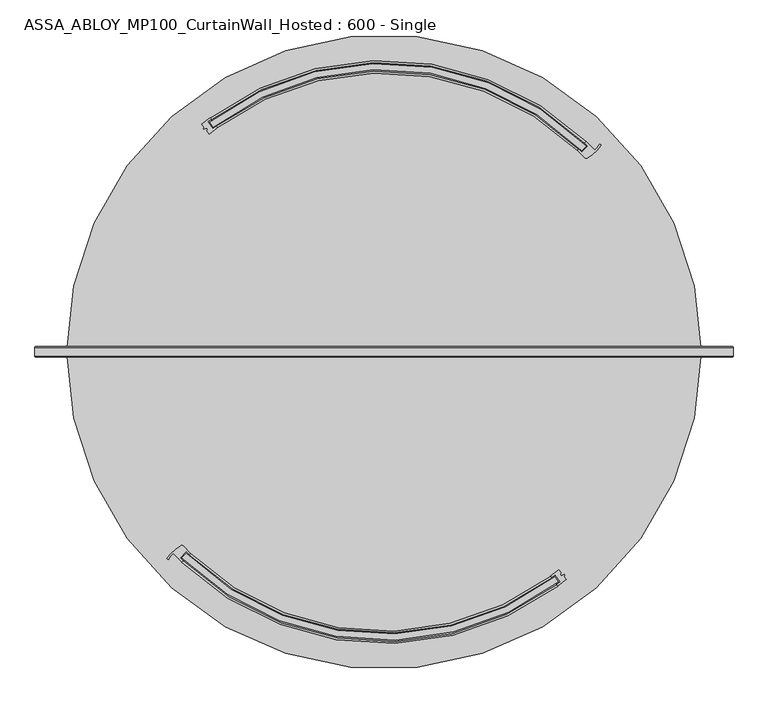
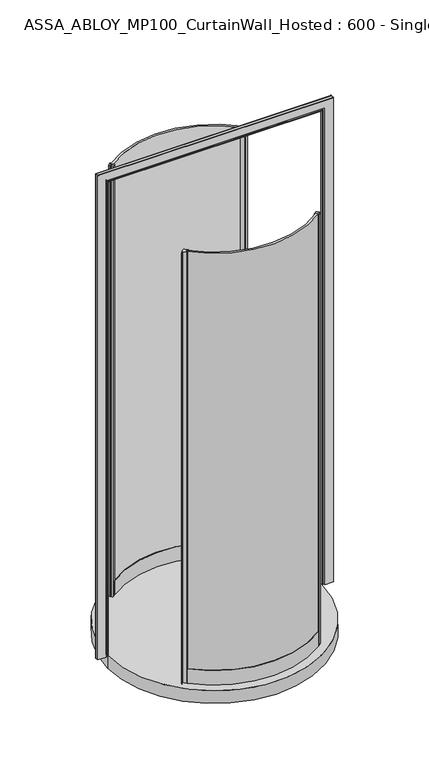
"""IFC4 building model written with IfcOpenShell, lengths in millimetres: plate geometry, ASSA_ABLOY_MP100_CurtainWall_Hosted : 600 - Single."""

from ifc_helpers import new_model, si_unit, point, frame, origin, origin_with_axes, origin_2d, place, context, project, spatial, polyline, circle_curve, ellipse_curve, trimmed, segment, composite_curve, outline, extrude, source, transform, mapped, element, save
from ifc_brep_helpers import plane_surface, cylinder_surface, revolved_surface, advanced_brep


def assa_abloy_mp100_curtainwall_hosted_600_single_d0e0801d(model_context):
    return source(origin(), model_context, "Body", "SolidModel", [
        extrude(outline(composite_curve([segment(trimmed(circle_curve(origin_2d(), 461.0), [point((-323.0228277, -328.9031054))], [point((278.7296704, -367.1930975))], True, "CARTESIAN"), True, "CONTINUOUS"), segment(polyline([(278.7296704, -367.1930975), (284.6922302, -375.2217132)]), True, "CONTINUOUS"), segment(trimmed(circle_curve(origin_2d(), 471.0), [point((284.6922302, -375.2217132))], [point((-329.952436, -336.1136564))], False, "CARTESIAN"), True, "CONTINUOUS"), segment(polyline([(-329.952436, -336.1136564), (-323.0228277, -328.9031054)]), True, "CONTINUOUS")], self_intersect=False)), origin_with_axes(), (0.0, 0.0, 1.0), 2200.0),
        extrude(outline(composite_curve([segment(polyline([(285.3369696, -355.6948324), (289.4020493, -361.1684819), (287.3950036, -362.6590414), (289.481787, -365.4689053), (294.0829, -363.6472028), (294.7436822, -364.5369492), (293.2774526, -366.3867312), (297.2693923, -371.7618975)]), True, "CONTINUOUS"), segment(trimmed(circle_curve(origin_2d(), 476.0), [point((297.2693923, -371.7618975))], [point((283.8025361, -382.1414928))], False, "CARTESIAN"), True, "CONTINUOUS"), segment(polyline([(283.8025361, -382.1414928), (282.0138647, -379.733038)]), True, "CONTINUOUS"), segment(trimmed(circle_curve(origin_2d(), 473.0), [point((282.0138647, -379.733038))], [point((287.6027082, -375.5178854))], True, "CARTESIAN"), True, "CONTINUOUS"), segment(polyline([(287.6027082, -375.5178854), (279.2546327, -364.2771612)]), True, "CONTINUOUS"), segment(trimmed(circle_curve(origin_2d(), 459.0), [point((279.2546327, -364.2771612))], [point((273.6655575, -368.494454))], False, "CARTESIAN"), True, "CONTINUOUS"), segment(polyline([(273.6655575, -368.494454), (271.8780598, -366.0851275)]), True, "CONTINUOUS"), segment(trimmed(circle_curve(origin_2d(), 456.0), [point((271.8780598, -366.0851275))], [point((285.3369696, -355.6948324))], True, "CARTESIAN"), True, "CONTINUOUS")], self_intersect=False)), origin_with_axes(), (0.0, 0.0, 1.0), 2200.0),
        advanced_brep(
        [(-323.0606614, -326.0564281, 0.0), (-332.7619944, -336.1524011, 0.0), (-327.7505863, -341.0399863, 0.0), (-329.8292072, -343.2031633, 0.0), (-343.6754502, -329.3370005, 0.0), (-350.8403885, -338.0289484, 0.0), (-353.4119384, -336.7129907, 0.0), (-331.5448057, -316.4268945, 0.0), (-327.8628013, -316.9255214, 0.0), (-315.9717342, -328.781983, 0.0), (-318.0503552, -330.94516, 0.0), (-323.0606614, -326.0564281, 2200.0), (-318.0503552, -330.94516, 2200.0), (-315.9717342, -328.781983, 2200.0), (-327.8628013, -316.9255214, 2200.0), (-331.5448057, -316.4268945, 2200.0), (-353.4119384, -336.7129907, 2200.0), (-350.8541944, -338.0217349, 2200.0), (-343.6754502, -329.3370005, 2200.0), (-329.8292072, -343.2031633, 2200.0), (-327.7505863, -341.0399863, 2200.0), (-332.7619944, -336.1524011, 2200.0)],
        [
            (0, 1),
            (1, 2, circle_curve(frame((-1.0606602, -1.0606602, 0.0), z_axis=(0.0, 0.0, 1.0), x_axis=(-0.7071067811865531, 0.7071067811865418, 0.0)), 471.5)),
            (2, 3),
            (3, 4, circle_curve(frame((-1.0606602, -1.0606602, 0.0), z_axis=(0.0, 0.0, -1.0), x_axis=(-0.7071067811865531, 0.7071067811865418, 0.0)), 474.5)),
            (4, 5, circle_curve(frame((-326.6572326, -350.6645131, 0.0), z_axis=(0.0, 0.0, 1.0), x_axis=(-0.7071067811865531, 0.7071067811865418, 0.0)), 27.285207)),
            (5, 6, circle_curve(frame((-352.1274821, -337.3564491, 0.0), z_axis=(0.0, 0.0, -1.0), x_axis=(-0.7071067811865531, 0.7071067811865418, 0.0)), 1.4366164)),
            (6, 7, circle_curve(frame((-295.9639336, -376.7095748, 0.0), z_axis=(0.0, 0.0, -1.0), x_axis=(-0.7071067811865531, 0.7071067811865418, 0.0)), 70.0)),
            (7, 8, circle_curve(frame((-330.0199112, -319.0104379, 0.0), z_axis=(0.0, 0.0, -1.0), x_axis=(-0.7071067811865531, 0.7071067811865418, 0.0)), 3.0)),
            (8, 9, circle_curve(frame((-1.0606602, -1.0606602, 0.0), z_axis=(0.0, 0.0, 1.0), x_axis=(-0.7071067811865531, 0.7071067811865418, 0.0)), 454.5)),
            (9, 10),
            (10, 0, circle_curve(frame((-1.0606602, -1.0606602, 0.0), z_axis=(0.0, 0.0, -1.0), x_axis=(-0.7071067811865531, 0.7071067811865418, 0.0)), 457.5)),
            (11, 12, circle_curve(frame((-1.0606602, -1.0606602, 2200.0), z_axis=(0.0, 0.0, 1.0), x_axis=(-0.7071067811865531, 0.7071067811865418, 0.0)), 457.5)),
            (12, 13),
            (13, 14, circle_curve(frame((-1.0606602, -1.0606602, 2200.0), z_axis=(0.0, 0.0, -1.0), x_axis=(-0.7071067811865531, 0.7071067811865418, 0.0)), 454.5)),
            (14, 15, circle_curve(frame((-330.0199112, -319.0104379, 2200.0), z_axis=(0.0, 0.0, 1.0), x_axis=(-0.7071067811865531, 0.7071067811865418, 0.0)), 3.0)),
            (15, 16, circle_curve(frame((-295.9639336, -376.7095748, 2200.0), z_axis=(0.0, 0.0, 1.0), x_axis=(-0.7071067811865531, 0.7071067811865418, 0.0)), 70.0)),
            (16, 17, circle_curve(frame((-352.1274821, -337.3564491, 2200.0), z_axis=(0.0, 0.0, 1.0), x_axis=(-0.7071067811865531, 0.7071067811865418, 0.0)), 1.4366164)),
            (17, 18, circle_curve(frame((-326.6572326, -350.6645131, 2200.0), z_axis=(0.0, 0.0, -1.0), x_axis=(-0.7071067811865531, 0.7071067811865418, 0.0)), 27.285207)),
            (18, 19, circle_curve(frame((-1.0606602, -1.0606602, 2200.0), z_axis=(0.0, 0.0, 1.0), x_axis=(-0.7071067811865531, 0.7071067811865418, 0.0)), 474.5)),
            (19, 20),
            (20, 21, circle_curve(frame((-1.0606602, -1.0606602, 2200.0), z_axis=(0.0, 0.0, -1.0), x_axis=(-0.7071067811865531, 0.7071067811865418, 0.0)), 471.5)),
            (21, 11),
            (0, 11),
            (21, 1),
            (20, 2),
            (19, 3),
            (18, 4),
            (8, 14),
            (13, 9),
            (12, 10),
            (17, 5),
            (16, 6),
            (15, 7),
        ],
        [
            plane_surface(frame((-322.4406922, -322.4406922, 0.0), z_axis=(0.0, 0.0, -1.0000000000000002), x_axis=(-0.7071067811865419, -0.7071067811865532, 0.0))),
            plane_surface(frame((-322.4406922, -322.4406922, 2200.0), z_axis=(0.0, 0.0, 1.0000000000000002), x_axis=(-0.7071067811865419, -0.7071067811865532, 0.0))),
            plane_surface(frame((-323.0606614, -326.0564281, 0.0), z_axis=(0.72105901609443, -0.6928736503208449, 0.0), x_axis=(0.0, 0.0, 1.0))),
            revolved_surface(polyline([(-334.46150752945977, 332.3401871294545, 2200.0), (-334.46150752945977, 332.3401871294545, 0.0)]), (-1.0606602, -1.0606602, 0.0), (0.0, 0.0, 1.0)),
            plane_surface(frame((-327.7505863, -341.0399863, 0.0), z_axis=(0.7210590160945624, -0.6928736503207072, 0.0), x_axis=(0.0, 0.0, 1.0))),
            cylinder_surface(frame((-1.0606602, -1.0606602, 0.0), z_axis=(0.0, 0.0, -1.0), x_axis=(-0.7071067811865531, 0.7071067811865418, 0.0)), 474.5),
            revolved_surface(polyline([(-322.44069224928836, 320.3193718492833, 2200.0), (-322.44069224928836, 320.3193718492833, 0.0)]), (-1.0606602, -1.0606602, 0.0), (0.0, 0.0, 1.0)),
            plane_surface(frame((-315.9717342, -328.781983, 0.0), z_axis=(0.7210590160946411, -0.6928736503206254, 0.0), x_axis=(0.0, 0.0, 1.0))),
            cylinder_surface(frame((-1.0606602, -1.0606602, 0.0), z_axis=(0.0, 0.0, -1.0), x_axis=(-0.7071067811865531, 0.7071067811865418, 0.0)), 457.5),
            revolved_surface(polyline([(-345.9507874957788, -331.37095820422155, 2200.0), (-345.9507874957788, -331.37095820422155, 0.0)]), (-326.6572326, -350.6645131, 0.0), (0.0, 0.0, 1.0)),
            cylinder_surface(frame((-352.1274821, -337.3564491, 0.0), z_axis=(0.0, 0.0, -1.0), x_axis=(-0.7071067811865531, 0.7071067811865418, 0.0)), 1.4366164),
            cylinder_surface(frame((-295.9639336, -376.7095748, 0.0), z_axis=(0.0, 0.0, -1.0), x_axis=(-0.7071067811865531, 0.7071067811865418, 0.0)), 70.0),
            cylinder_surface(frame((-330.0199112, -319.0104379, 0.0), z_axis=(0.0, 0.0, -1.0), x_axis=(-0.7071067811865531, 0.7071067811865418, 0.0)), 3.0),
        ],
        [
            (0, [[1, 2, 3, 4, 5, 6, 7, 8, 9, 10, 11]]),
            (1, [[12, 13, 14, 15, 16, 17, 18, 19, 20, 21, 22]]),
            (2, [[-1, 23, -22, 24]]),
            (3, [[-2, -24, -21, 25]]),
            (4, [[-3, -25, -20, 26]]),
            (5, [[-4, -26, -19, 27]]),
            (6, [[-9, 28, -14, 29]]),
            (7, [[-10, -29, -13, 30]]),
            (8, [[-11, -30, -12, -23]]),
            (9, [[-5, -27, -18, 31]]),
            (10, [[-6, -31, -17, 32]]),
            (11, [[-7, -32, -16, 33]]),
            (12, [[-8, -33, -15, -28]]),
        ],
    ),
        advanced_brep(
        [(-315.9719443, -328.782193, 73.0), (-315.9719443, -328.782193, 0.0), (-318.0507071, -330.9452338, 0.0), (-318.0507071, -330.9452338, 24.0), (-327.7516001, -341.0394239, 24.0), (-327.7516001, -341.0394239, 0.0), (-329.8303629, -343.2024646, 0.0), (-329.8303629, -343.2024646, 73.0), (-327.7516001, -341.0394239, 73.0), (-327.7516001, -341.0394239, 39.0), (-318.0507071, -330.9452338, 39.0), (-318.0507071, -330.9452338, 73.0), (271.8780598, -366.0851275, 73.0), (273.6667313, -368.4935823, 73.0), (273.6667313, -368.4935823, 39.0), (282.0138647, -379.733038, 39.0), (282.0138647, -379.733038, 73.0), (283.8025361, -382.1414928, 73.0), (283.8025361, -382.1414928, 0.0), (282.0138647, -379.733038, 0.0), (282.0138647, -379.733038, 24.0), (273.6667313, -368.4935823, 24.0), (273.6667313, -368.4935823, 0.0), (271.8780598, -366.0851275, 0.0)],
        [
            (0, 1),
            (1, 2),
            (2, 3),
            (3, 4),
            (4, 5),
            (5, 6),
            (6, 7),
            (7, 8),
            (8, 9),
            (9, 10),
            (10, 11),
            (11, 0),
            (12, 13),
            (13, 14),
            (14, 15),
            (15, 16),
            (16, 17),
            (17, 18),
            (18, 19),
            (19, 20),
            (20, 21),
            (21, 22),
            (22, 23),
            (23, 12),
            (23, 1, circle_curve(frame((0.0, 0.0, 0.0), z_axis=(0.0, 0.0, -1.0), x_axis=(-0.6929209304014322, -0.7210135811561481, 0.0)), 456.0)),
            (0, 12, circle_curve(frame((0.0, 0.0, 73.0), z_axis=(0.0, 0.0, 1.0), x_axis=(-0.6929209304014322, -0.7210135811561481, 0.0)), 456.0)),
            (22, 2, circle_curve(frame((0.0, 0.0, 0.0), z_axis=(0.0, 0.0, -1.0), x_axis=(-0.6929209304014322, -0.7210135811561481, 0.0)), 459.0)),
            (21, 3, circle_curve(frame((0.0, 0.0, 24.0), z_axis=(0.0, 0.0, -1.0), x_axis=(-0.6929209304014322, -0.7210135811561481, 0.0)), 459.0)),
            (20, 4, circle_curve(frame((0.0, 0.0, 24.0), z_axis=(0.0, 0.0, -1.0), x_axis=(-0.6929209304014322, -0.7210135811561481, 0.0)), 473.0)),
            (19, 5, circle_curve(frame((0.0, 0.0, 0.0), z_axis=(0.0, 0.0, -1.0), x_axis=(-0.6929209304014322, -0.7210135811561481, 0.0)), 473.0)),
            (18, 6, circle_curve(frame((0.0, 0.0, 0.0), z_axis=(0.0, 0.0, -1.0), x_axis=(-0.6929209304014322, -0.7210135811561481, 0.0)), 476.0)),
            (17, 7, circle_curve(frame((0.0, 0.0, 73.0), z_axis=(0.0, 0.0, -1.0), x_axis=(-0.6929209304014322, -0.7210135811561481, 0.0)), 476.0)),
            (16, 8, circle_curve(frame((0.0, 0.0, 73.0), z_axis=(0.0, 0.0, -1.0), x_axis=(-0.6929209304014322, -0.7210135811561481, 0.0)), 473.0)),
            (15, 9, circle_curve(frame((0.0, 0.0, 39.0), z_axis=(0.0, 0.0, -1.0), x_axis=(-0.6929209304014322, -0.7210135811561481, 0.0)), 473.0)),
            (14, 10, circle_curve(frame((0.0, 0.0, 39.0), z_axis=(0.0, 0.0, -1.0), x_axis=(-0.6929209304014322, -0.7210135811561481, 0.0)), 459.0)),
            (13, 11, circle_curve(frame((0.0, 0.0, 73.0), z_axis=(0.0, 0.0, -1.0), x_axis=(-0.6929209304014322, -0.7210135811561481, 0.0)), 459.0)),
        ],
        [
            plane_surface(frame((-315.9719443, -328.782193, 0.0), z_axis=(-0.7210135811561482, 0.6929209304014323, 0.0), x_axis=(0.0, 0.0, 1.0))),
            plane_surface(frame((271.8780598, -366.0851275, 0.0), z_axis=(0.8028182621140831, 0.596223815371479, 0.0), x_axis=(0.0, 0.0, 1.0))),
            revolved_surface(polyline([(-315.9719442630531, -328.78219300720355, 73.00000000000003), (-315.9719442630531, -328.78219300720355, 0.0)]), (0.0, 0.0, 0.0), (0.0, 0.0, 1.0000000000000002)),
            plane_surface(frame((0.0, 0.0, 0.0), z_axis=(0.0, 0.0, -1.0), x_axis=(-0.6929209304014323, -0.7210135811561482, 0.0))),
            cylinder_surface(frame((0.0, 0.0, 0.0), z_axis=(0.0, 0.0, 1.0000000000000002), x_axis=(-0.6929209304014322, -0.7210135811561481, 0.0)), 459.0),
            plane_surface(frame((0.0, 0.0, 24.0), z_axis=(0.0, 0.0, -1.0), x_axis=(-0.6929209304014323, -0.7210135811561482, 0.0))),
            revolved_surface(polyline([(-327.75160007987745, -341.03942388685806, 24.000000000000014), (-327.75160007987745, -341.03942388685806, 0.0)]), (0.0, 0.0, 0.0), (0.0, 0.0, 1.0000000000000002)),
            cylinder_surface(frame((0.0, 0.0, 0.0), z_axis=(0.0, 0.0, 1.0000000000000002), x_axis=(-0.6929209304014322, -0.7210135811561481, 0.0)), 476.0),
            plane_surface(frame((0.0, 0.0, 73.0), z_axis=(0.0, 0.0, 1.0), x_axis=(-0.6929209304014323, -0.7210135811561482, 0.0))),
            revolved_surface(polyline([(-327.75160007987745, -341.03942388685806, 73.00000000000003), (-327.75160007987745, -341.03942388685806, 39.000000000000014)]), (0.0, 0.0, 0.0), (0.0, 0.0, 1.0000000000000002)),
            plane_surface(frame((0.0, 0.0, 39.0), z_axis=(0.0, 0.0, 1.0), x_axis=(-0.6929209304014323, -0.7210135811561482, 0.0))),
        ],
        [
            (0, [[1, 2, 3, 4, 5, 6, 7, 8, 9, 10, 11, 12]]),
            (1, [[13, 14, 15, 16, 17, 18, 19, 20, 21, 22, 23, 24]]),
            (2, [[25, -1, 26, -24]]),
            (3, [[27, -2, -25, -23]]),
            (4, [[28, -3, -27, -22]]),
            (5, [[29, -4, -28, -21]]),
            (6, [[30, -5, -29, -20]]),
            (3, [[31, -6, -30, -19]]),
            (7, [[32, -7, -31, -18]]),
            (8, [[33, -8, -32, -17]]),
            (9, [[34, -9, -33, -16]]),
            (10, [[35, -10, -34, -15]]),
            (4, [[36, -11, -35, -14]]),
            (8, [[-26, -12, -36, -13]]),
        ],
    ),
        extrude(outline(composite_curve([segment(trimmed(circle_curve(origin_2d(), 461.0), [point((323.0228277, 328.9031054))], [point((-278.7296704, 367.1930975))], True, "CARTESIAN"), True, "CONTINUOUS"), segment(polyline([(-278.7296704, 367.1930975), (-284.6922302, 375.2217132)]), True, "CONTINUOUS"), segment(trimmed(circle_curve(origin_2d(), 471.0), [point((-284.6922302, 375.2217132))], [point((329.952436, 336.1136564))], False, "CARTESIAN"), True, "CONTINUOUS"), segment(polyline([(329.952436, 336.1136564), (323.0228277, 328.9031054)]), True, "CONTINUOUS")], self_intersect=False)), origin_with_axes(), (0.0, 0.0, 1.0), 2200.0),
        extrude(outline(composite_curve([segment(polyline([(-285.3369696, 355.6948324), (-289.4020493, 361.1684819), (-287.3950036, 362.6590414), (-289.481787, 365.4689053), (-294.0829, 363.6472028), (-294.7436822, 364.5369492), (-293.2774526, 366.3867312), (-297.2693923, 371.7618975)]), True, "CONTINUOUS"), segment(trimmed(circle_curve(origin_2d(), 476.0), [point((-297.2693923, 371.7618975))], [point((-283.8025361, 382.1414928))], False, "CARTESIAN"), True, "CONTINUOUS"), segment(polyline([(-283.8025361, 382.1414928), (-282.0138647, 379.733038)]), True, "CONTINUOUS"), segment(trimmed(circle_curve(origin_2d(), 473.0), [point((-282.0138647, 379.733038))], [point((-287.6027082, 375.5178854))], True, "CARTESIAN"), True, "CONTINUOUS"), segment(polyline([(-287.6027082, 375.5178854), (-279.2546327, 364.2771612)]), True, "CONTINUOUS"), segment(trimmed(circle_curve(origin_2d(), 459.0), [point((-279.2546327, 364.2771612))], [point((-273.6655575, 368.494454))], False, "CARTESIAN"), True, "CONTINUOUS"), segment(polyline([(-273.6655575, 368.494454), (-271.8780598, 366.0851275)]), True, "CONTINUOUS"), segment(trimmed(circle_curve(origin_2d(), 456.0), [point((-271.8780598, 366.0851275))], [point((-285.3369696, 355.6948324))], True, "CARTESIAN"), True, "CONTINUOUS")], self_intersect=False)), origin_with_axes(), (0.0, 0.0, 1.0), 2200.0),
        advanced_brep(
        [(323.0606614, 326.0564281, 0.0), (332.7619944, 336.1524011, 0.0), (327.7505863, 341.0399863, 0.0), (329.8292072, 343.2031633, 0.0), (343.6754502, 329.3370005, 0.0), (350.8403885, 338.0289484, 0.0), (353.4119384, 336.7129907, 0.0), (331.5448057, 316.4268945, 0.0), (327.8628013, 316.9255214, 0.0), (315.9717342, 328.781983, 0.0), (318.0503552, 330.94516, 0.0), (323.0606614, 326.0564281, 2200.0), (318.0503552, 330.94516, 2200.0), (315.9717342, 328.781983, 2200.0), (327.8628013, 316.9255214, 2200.0), (331.5448057, 316.4268945, 2200.0), (353.4119384, 336.7129907, 2200.0), (350.8541944, 338.0217349, 2200.0), (343.6754502, 329.3370005, 2200.0), (329.8292072, 343.2031633, 2200.0), (327.7505863, 341.0399863, 2200.0), (332.7619944, 336.1524011, 2200.0)],
        [
            (0, 1),
            (1, 2, circle_curve(frame((1.0606602, 1.0606602, 0.0), z_axis=(0.0, 0.0, 1.0), x_axis=(0.7071067811865526, -0.7071067811865416, 0.0)), 471.5)),
            (2, 3),
            (3, 4, circle_curve(frame((1.0606602, 1.0606602, 0.0), z_axis=(0.0, 0.0, -1.0), x_axis=(0.7071067811865526, -0.7071067811865416, 0.0)), 474.5)),
            (4, 5, circle_curve(frame((326.6572326, 350.6645131, 0.0), z_axis=(0.0, 0.0, 1.0), x_axis=(0.7071067811865526, -0.7071067811865416, 0.0)), 27.285207)),
            (5, 6, circle_curve(frame((352.1274821, 337.3564491, 0.0), z_axis=(0.0, 0.0, -1.0), x_axis=(0.7071067811865526, -0.7071067811865416, 0.0)), 1.4366164)),
            (6, 7, circle_curve(frame((295.9639336, 376.7095748, 0.0), z_axis=(0.0, 0.0, -1.0), x_axis=(0.7071067811865526, -0.7071067811865416, 0.0)), 70.0)),
            (7, 8, circle_curve(frame((330.0199112, 319.0104379, 0.0), z_axis=(0.0, 0.0, -1.0), x_axis=(0.7071067811865526, -0.7071067811865416, 0.0)), 3.0)),
            (8, 9, circle_curve(frame((1.0606602, 1.0606602, 0.0), z_axis=(0.0, 0.0, 1.0), x_axis=(0.7071067811865526, -0.7071067811865416, 0.0)), 454.5)),
            (9, 10),
            (10, 0, circle_curve(frame((1.0606602, 1.0606602, 0.0), z_axis=(0.0, 0.0, -1.0), x_axis=(0.7071067811865526, -0.7071067811865416, 0.0)), 457.5)),
            (11, 12, circle_curve(frame((1.0606602, 1.0606602, 2200.0), z_axis=(0.0, 0.0, 1.0), x_axis=(0.7071067811865526, -0.7071067811865416, 0.0)), 457.5)),
            (12, 13),
            (13, 14, circle_curve(frame((1.0606602, 1.0606602, 2200.0), z_axis=(0.0, 0.0, -1.0), x_axis=(0.7071067811865526, -0.7071067811865416, 0.0)), 454.5)),
            (14, 15, circle_curve(frame((330.0199112, 319.0104379, 2200.0), z_axis=(0.0, 0.0, 1.0), x_axis=(0.7071067811865526, -0.7071067811865416, 0.0)), 3.0)),
            (15, 16, circle_curve(frame((295.9639336, 376.7095748, 2200.0), z_axis=(0.0, 0.0, 1.0), x_axis=(0.7071067811865526, -0.7071067811865416, 0.0)), 70.0)),
            (16, 17, circle_curve(frame((352.1274821, 337.3564491, 2200.0), z_axis=(0.0, 0.0, 1.0), x_axis=(0.7071067811865526, -0.7071067811865416, 0.0)), 1.4366164)),
            (17, 18, circle_curve(frame((326.6572326, 350.6645131, 2200.0), z_axis=(0.0, 0.0, -1.0), x_axis=(0.7071067811865526, -0.7071067811865416, 0.0)), 27.285207)),
            (18, 19, circle_curve(frame((1.0606602, 1.0606602, 2200.0), z_axis=(0.0, 0.0, 1.0), x_axis=(0.7071067811865526, -0.7071067811865416, 0.0)), 474.5)),
            (19, 20),
            (20, 21, circle_curve(frame((1.0606602, 1.0606602, 2200.0), z_axis=(0.0, 0.0, -1.0), x_axis=(0.7071067811865526, -0.7071067811865416, 0.0)), 471.5)),
            (21, 11),
            (0, 11),
            (21, 1),
            (20, 2),
            (19, 3),
            (18, 4),
            (8, 14),
            (13, 9),
            (12, 10),
            (17, 5),
            (16, 6),
            (15, 7),
        ],
        [
            plane_surface(frame((322.4406922, 322.4406922, 0.0), z_axis=(0.0, 0.0, -1.0), x_axis=(0.707106781186542, 0.707106781186553, 0.0))),
            plane_surface(frame((322.4406922, 322.4406922, 2200.0), z_axis=(0.0, 0.0, 1.0), x_axis=(0.707106781186542, 0.707106781186553, 0.0))),
            plane_surface(frame((323.0606614, 326.0564281, 0.0), z_axis=(-0.7210590160944299, 0.692873650320845, 0.0), x_axis=(0.0, 0.0, 1.0))),
            revolved_surface(polyline([(334.4615075294595, -332.34018712945436, 2200.0), (334.4615075294595, -332.34018712945436, 0.0)]), (1.0606602, 1.0606602, 0.0), (0.0, 0.0, 1.0)),
            plane_surface(frame((327.7505863, 341.0399863, 0.0), z_axis=(-0.7210590160945622, 0.6928736503207075, 0.0), x_axis=(0.0, 0.0, 1.0))),
            cylinder_surface(frame((1.0606602, 1.0606602, 0.0), z_axis=(0.0, 0.0, -1.0), x_axis=(0.7071067811865526, -0.7071067811865416, 0.0)), 474.5),
            revolved_surface(polyline([(322.44069224928813, -320.3193718492832, 2200.0), (322.44069224928813, -320.3193718492832, 0.0)]), (1.0606602, 1.0606602, 0.0), (0.0, 0.0, 1.0)),
            plane_surface(frame((315.9717342, 328.781983, 0.0), z_axis=(-0.7210590160946408, 0.6928736503206255, 0.0), x_axis=(0.0, 0.0, 1.0))),
            cylinder_surface(frame((1.0606602, 1.0606602, 0.0), z_axis=(0.0, 0.0, -1.0), x_axis=(0.7071067811865526, -0.7071067811865416, 0.0)), 457.5),
            revolved_surface(polyline([(345.9507874957788, 331.37095820422155, 2200.0), (345.9507874957788, 331.37095820422155, 0.0)]), (326.6572326, 350.6645131, 0.0), (0.0, 0.0, 1.0)),
            cylinder_surface(frame((352.1274821, 337.3564491, 0.0), z_axis=(0.0, 0.0, -1.0), x_axis=(0.7071067811865526, -0.7071067811865416, 0.0)), 1.4366164),
            cylinder_surface(frame((295.9639336, 376.7095748, 0.0), z_axis=(0.0, 0.0, -1.0), x_axis=(0.7071067811865526, -0.7071067811865416, 0.0)), 70.0),
            cylinder_surface(frame((330.0199112, 319.0104379, 0.0), z_axis=(0.0, 0.0, -1.0), x_axis=(0.7071067811865526, -0.7071067811865416, 0.0)), 3.0),
        ],
        [
            (0, [[1, 2, 3, 4, 5, 6, 7, 8, 9, 10, 11]]),
            (1, [[12, 13, 14, 15, 16, 17, 18, 19, 20, 21, 22]]),
            (2, [[-1, 23, -22, 24]]),
            (3, [[-2, -24, -21, 25]]),
            (4, [[-3, -25, -20, 26]]),
            (5, [[-4, -26, -19, 27]]),
            (6, [[-9, 28, -14, 29]]),
            (7, [[-10, -29, -13, 30]]),
            (8, [[-11, -30, -12, -23]]),
            (9, [[-5, -27, -18, 31]]),
            (10, [[-6, -31, -17, 32]]),
            (11, [[-7, -32, -16, 33]]),
            (12, [[-8, -33, -15, -28]]),
        ],
    ),
        advanced_brep(
        [(315.9719443, 328.782193, 73.0), (315.9719443, 328.782193, 0.0), (318.0507071, 330.9452338, 0.0), (318.0507071, 330.9452338, 24.0), (327.7516001, 341.0394239, 24.0), (327.7516001, 341.0394239, 0.0), (329.8303629, 343.2024646, 0.0), (329.8303629, 343.2024646, 73.0), (327.7516001, 341.0394239, 73.0), (327.7516001, 341.0394239, 39.0), (318.0507071, 330.9452338, 39.0), (318.0507071, 330.9452338, 73.0), (-271.8780598, 366.0851275, 73.0), (-273.6667313, 368.4935823, 73.0), (-273.6667313, 368.4935823, 39.0), (-282.0138647, 379.733038, 39.0), (-282.0138647, 379.733038, 73.0), (-283.8025361, 382.1414928, 73.0), (-283.8025361, 382.1414928, 0.0), (-282.0138647, 379.733038, 0.0), (-282.0138647, 379.733038, 24.0), (-273.6667313, 368.4935823, 24.0), (-273.6667313, 368.4935823, 0.0), (-271.8780598, 366.0851275, 0.0)],
        [
            (0, 1),
            (1, 2),
            (2, 3),
            (3, 4),
            (4, 5),
            (5, 6),
            (6, 7),
            (7, 8),
            (8, 9),
            (9, 10),
            (10, 11),
            (11, 0),
            (12, 13),
            (13, 14),
            (14, 15),
            (15, 16),
            (16, 17),
            (17, 18),
            (18, 19),
            (19, 20),
            (20, 21),
            (21, 22),
            (22, 23),
            (23, 12),
            (23, 1, circle_curve(frame((0.0, 0.0, 0.0), z_axis=(0.0, 0.0, -1.0), x_axis=(0.692920930401432, 0.7210135811561476, 0.0)), 456.0)),
            (0, 12, circle_curve(frame((0.0, 0.0, 73.0), z_axis=(0.0, 0.0, 1.0), x_axis=(0.692920930401432, 0.7210135811561476, 0.0)), 456.0)),
            (22, 2, circle_curve(frame((0.0, 0.0, 0.0), z_axis=(0.0, 0.0, -1.0), x_axis=(0.692920930401432, 0.7210135811561476, 0.0)), 459.0)),
            (21, 3, circle_curve(frame((0.0, 0.0, 24.0), z_axis=(0.0, 0.0, -1.0), x_axis=(0.692920930401432, 0.7210135811561476, 0.0)), 459.0)),
            (20, 4, circle_curve(frame((0.0, 0.0, 24.0), z_axis=(0.0, 0.0, -1.0), x_axis=(0.692920930401432, 0.7210135811561476, 0.0)), 473.0)),
            (19, 5, circle_curve(frame((0.0, 0.0, 0.0), z_axis=(0.0, 0.0, -1.0), x_axis=(0.692920930401432, 0.7210135811561476, 0.0)), 473.0)),
            (18, 6, circle_curve(frame((0.0, 0.0, 0.0), z_axis=(0.0, 0.0, -1.0), x_axis=(0.692920930401432, 0.7210135811561476, 0.0)), 476.0)),
            (17, 7, circle_curve(frame((0.0, 0.0, 73.0), z_axis=(0.0, 0.0, -1.0), x_axis=(0.692920930401432, 0.7210135811561476, 0.0)), 476.0)),
            (16, 8, circle_curve(frame((0.0, 0.0, 73.0), z_axis=(0.0, 0.0, -1.0), x_axis=(0.692920930401432, 0.7210135811561476, 0.0)), 473.0)),
            (15, 9, circle_curve(frame((0.0, 0.0, 39.0), z_axis=(0.0, 0.0, -1.0), x_axis=(0.692920930401432, 0.7210135811561476, 0.0)), 473.0)),
            (14, 10, circle_curve(frame((0.0, 0.0, 39.0), z_axis=(0.0, 0.0, -1.0), x_axis=(0.692920930401432, 0.7210135811561476, 0.0)), 459.0)),
            (13, 11, circle_curve(frame((0.0, 0.0, 73.0), z_axis=(0.0, 0.0, -1.0), x_axis=(0.692920930401432, 0.7210135811561476, 0.0)), 459.0)),
        ],
        [
            plane_surface(frame((315.9719443, 328.782193, 0.0), z_axis=(0.721013581156148, -0.6929209304014324, 0.0), x_axis=(0.0, 0.0, 1.0))),
            plane_surface(frame((-271.8780598, 366.0851275, 0.0), z_axis=(-0.8028182621140832, -0.5962238153714787, 0.0), x_axis=(0.0, 0.0, 1.0))),
            revolved_surface(polyline([(315.971944263053, 328.78219300720326, 73.00000000000003), (315.971944263053, 328.78219300720326, 0.0)]), (0.0, 0.0, 0.0), (0.0, 0.0, 1.0000000000000002)),
            plane_surface(frame((0.0, 0.0, 0.0), z_axis=(0.0, 0.0, -1.0), x_axis=(0.6929209304014324, 0.721013581156148, 0.0))),
            cylinder_surface(frame((0.0, 0.0, 0.0), z_axis=(0.0, 0.0, 1.0000000000000002), x_axis=(0.692920930401432, 0.7210135811561476, 0.0)), 459.0),
            plane_surface(frame((0.0, 0.0, 24.0), z_axis=(0.0, 0.0, -1.0), x_axis=(0.6929209304014324, 0.721013581156148, 0.0))),
            revolved_surface(polyline([(327.75160007987733, 341.0394238868578, 24.000000000000014), (327.75160007987733, 341.0394238868578, 0.0)]), (0.0, 0.0, 0.0), (0.0, 0.0, 1.0000000000000002)),
            cylinder_surface(frame((0.0, 0.0, 0.0), z_axis=(0.0, 0.0, 1.0000000000000002), x_axis=(0.692920930401432, 0.7210135811561476, 0.0)), 476.0),
            plane_surface(frame((0.0, 0.0, 73.0), z_axis=(0.0, 0.0, 1.0), x_axis=(0.6929209304014324, 0.721013581156148, 0.0))),
            revolved_surface(polyline([(327.75160007987733, 341.0394238868578, 73.00000000000003), (327.75160007987733, 341.0394238868578, 39.000000000000014)]), (0.0, 0.0, 0.0), (0.0, 0.0, 1.0000000000000002)),
            plane_surface(frame((0.0, 0.0, 39.0), z_axis=(0.0, 0.0, 1.0), x_axis=(0.6929209304014324, 0.721013581156148, 0.0))),
        ],
        [
            (0, [[1, 2, 3, 4, 5, 6, 7, 8, 9, 10, 11, 12]]),
            (1, [[13, 14, 15, 16, 17, 18, 19, 20, 21, 22, 23, 24]]),
            (2, [[25, -1, 26, -24]]),
            (3, [[27, -2, -25, -23]]),
            (4, [[28, -3, -27, -22]]),
            (5, [[29, -4, -28, -21]]),
            (6, [[30, -5, -29, -20]]),
            (3, [[31, -6, -30, -19]]),
            (7, [[32, -7, -31, -18]]),
            (8, [[33, -8, -32, -17]]),
            (9, [[34, -9, -33, -16]]),
            (10, [[35, -10, -34, -15]]),
            (4, [[36, -11, -35, -14]]),
            (8, [[-26, -12, -36, -13]]),
        ],
    ),
        extrude(outline(composite_curve([segment(trimmed(circle_curve(origin_2d(), 517.5), [point((-517.5, 0.0))], [point((517.5, 0.0))], False, "CARTESIAN"), True, "CONTINUOUS"), segment(trimmed(circle_curve(origin_2d(), 517.5), [point((517.5, 0.0))], [point((-517.5, 0.0))], False, "CARTESIAN"), True, "CONTINUOUS")], self_intersect=False)), frame((0.0, 0.0, -65.0), z_axis=(0.0, 0.0, 1.0), x_axis=(1.0, 0.0, 0.0)), (0.0, 0.0, 1.0), 65.0),
        advanced_brep(
        [(518.4, 6.0, 0.0), (520.6980762, 6.0, 0.0), (521.5980762, 5.1, 0.0), (521.5980762, -5.1, 0.0), (520.6980762, -6.0, 0.0), (518.4, -6.0, 0.0), (517.5, -5.1, 0.0), (517.5, 5.1, 0.0), (-518.4, 6.0, 0.0), (-517.5, 5.1, 0.0), (-517.5, -5.1, 0.0), (-518.4, -6.0, 0.0), (-520.6980762, -6.0, 0.0), (-521.5980762, -5.1, 0.0), (-521.5980762, 5.1, 0.0), (-520.6980762, 6.0, 0.0), (518.4, 6.0, 2421.8), (-518.4, 6.0, 2421.8), (-520.6980762, 6.0, 2424.0980762), (520.6980762, 6.0, 2424.0980762), (521.5980762, 5.1, 2424.9980762), (521.5980762, -5.1, 2424.9980762), (520.6980762, -6.0, 2424.0980762), (-520.6980762, -6.0, 2424.0980762), (-518.4, -6.0, 2421.8), (518.4, -6.0, 2421.8), (517.5, -5.1, 2420.9), (517.5, 5.1, 2420.9), (-521.5980762, 5.1, 2424.9980762), (-521.5980762, -5.1, 2424.9980762), (-517.5, -5.1, 2420.9), (-517.5, 5.1, 2420.9)],
        [
            (0, 1),
            (1, 2, circle_curve(frame((520.6980762, 5.1, 0.0), z_axis=(0.0, 0.0, -1.0), x_axis=(-1.0, 0.0, 0.0)), 0.9)),
            (2, 3),
            (3, 4, circle_curve(frame((520.6980762, -5.1, 0.0), z_axis=(0.0, 0.0, -1.0), x_axis=(-1.0, 0.0, 0.0)), 0.9)),
            (4, 5),
            (5, 6, circle_curve(frame((518.4, -5.1, 0.0), z_axis=(0.0, 0.0, -1.0), x_axis=(-1.0, 0.0, 0.0)), 0.9)),
            (6, 7),
            (7, 0, circle_curve(frame((518.4, 5.1, 0.0), z_axis=(0.0, 0.0, -1.0), x_axis=(-1.0, 0.0, 0.0)), 0.9)),
            (8, 9, circle_curve(frame((-518.4, 5.1, 0.0), z_axis=(0.0, 0.0, -1.0), x_axis=(1.0, 0.0, 0.0)), 0.9)),
            (9, 10),
            (10, 11, circle_curve(frame((-518.4, -5.1, 0.0), z_axis=(0.0, 0.0, -1.0), x_axis=(1.0, 0.0, 0.0)), 0.9)),
            (11, 12),
            (12, 13, circle_curve(frame((-520.6980762, -5.1, 0.0), z_axis=(0.0, 0.0, -1.0), x_axis=(1.0, 0.0, 0.0)), 0.9)),
            (13, 14),
            (14, 15, circle_curve(frame((-520.6980762, 5.1, 0.0), z_axis=(0.0, 0.0, -1.0), x_axis=(1.0, 0.0, 0.0)), 0.9)),
            (15, 8),
            (0, 16),
            (16, 17),
            (17, 8),
            (15, 18),
            (18, 19),
            (19, 1),
            (19, 20, ellipse_curve(frame((520.6980762, 5.1, 2424.0980762), z_axis=(0.7071067811865475, 0.0, -0.7071067811865475), x_axis=(-0.7071067811865474, 0.0, -0.7071067811865476)), 1.2727922, 0.9)),
            (20, 2),
            (20, 21),
            (21, 3),
            (21, 22, ellipse_curve(frame((520.6980762, -5.1, 2424.0980762), z_axis=(0.7071067811865475, 0.0, -0.7071067811865475), x_axis=(-0.7071067811865474, 0.0, -0.7071067811865476)), 1.2727922, 0.9)),
            (22, 4),
            (22, 23),
            (23, 12),
            (11, 24),
            (24, 25),
            (25, 5),
            (25, 26, ellipse_curve(frame((518.4, -5.1, 2421.8), z_axis=(0.7071067811865475, 0.0, -0.7071067811865475), x_axis=(-0.7071067811865474, 0.0, -0.7071067811865476)), 1.2727922, 0.9)),
            (26, 6),
            (26, 27),
            (27, 7),
            (27, 16, ellipse_curve(frame((518.4, 5.1, 2421.8), z_axis=(0.7071067811865475, 0.0, -0.7071067811865475), x_axis=(-0.7071067811865474, 0.0, -0.7071067811865476)), 1.2727922, 0.9)),
            (18, 28, ellipse_curve(frame((-520.6980762, 5.1, 2424.0980762), z_axis=(0.7071067811865475, 0.0, 0.7071067811865475), x_axis=(0.7071067811865476, 0.0, -0.7071067811865474)), 1.2727922, 0.9)),
            (28, 20),
            (28, 29),
            (29, 21),
            (29, 23, ellipse_curve(frame((-520.6980762, -5.1, 2424.0980762), z_axis=(0.7071067811865475, 0.0, 0.7071067811865475), x_axis=(0.7071067811865476, 0.0, -0.7071067811865474)), 1.2727922, 0.9)),
            (24, 30, ellipse_curve(frame((-518.4, -5.1, 2421.8), z_axis=(0.7071067811865475, 0.0, 0.7071067811865475), x_axis=(0.7071067811865476, 0.0, -0.7071067811865474)), 1.2727922, 0.9)),
            (30, 26),
            (30, 31),
            (31, 27),
            (31, 17, ellipse_curve(frame((-518.4, 5.1, 2421.8), z_axis=(0.7071067811865475, 0.0, 0.7071067811865475), x_axis=(0.7071067811865476, 0.0, -0.7071067811865474)), 1.2727922, 0.9)),
            (14, 28),
            (13, 29),
            (10, 30),
            (9, 31),
        ],
        [
            plane_surface(frame((521.6, 0.0, 0.0), z_axis=(0.0, 0.0, -1.0), x_axis=(0.0, -1.0, 0.0))),
            plane_surface(frame((-521.6, 0.0, 0.0), z_axis=(0.0, 0.0, -1.0), x_axis=(0.0, -1.0, 0.0))),
            plane_surface(frame((518.4, 6.0, 0.0), z_axis=(0.0, 1.0, 0.0), x_axis=(0.0, 0.0, 1.0))),
            cylinder_surface(frame((520.6980762, 5.1, 0.0), z_axis=(0.0, 0.0, -1.0), x_axis=(-1.0, 0.0, 0.0)), 0.9),
            plane_surface(frame((521.5980762, 5.1, 0.0), z_axis=(1.0, 0.0, 0.0), x_axis=(0.0, 0.0, 1.0))),
            cylinder_surface(frame((520.6980762, -5.1, 0.0), z_axis=(0.0, 0.0, -1.0), x_axis=(-1.0, 0.0, 0.0)), 0.9),
            plane_surface(frame((520.6980762, -6.0, 0.0), z_axis=(0.0, -1.0, 0.0), x_axis=(0.0, 0.0, 1.0))),
            cylinder_surface(frame((518.4, -5.1, 0.0), z_axis=(0.0, 0.0, -1.0), x_axis=(-1.0, 0.0, 0.0)), 0.9),
            plane_surface(frame((517.5, -5.1, 0.0), z_axis=(-1.0, 0.0, 0.0), x_axis=(0.0, 0.0, 1.0))),
            cylinder_surface(frame((518.4, 5.1, 0.0), z_axis=(0.0, 0.0, -1.0), x_axis=(-1.0, 0.0, 0.0)), 0.9),
            cylinder_surface(frame((521.6, 5.1, 2424.0980762), z_axis=(1.0, 0.0, 0.0), x_axis=(0.0, 0.0, -1.0)), 0.9),
            plane_surface(frame((521.5980762, 5.1, 2424.9980762), z_axis=(0.0, 0.0, 1.0), x_axis=(-1.0, 0.0, 0.0))),
            cylinder_surface(frame((521.6, -5.1, 2424.0980762), z_axis=(1.0, 0.0, 0.0), x_axis=(0.0, 0.0, -1.0)), 0.9),
            cylinder_surface(frame((521.6, -5.1, 2421.8), z_axis=(1.0, 0.0, 0.0), x_axis=(0.0, 0.0, -1.0)), 0.9),
            plane_surface(frame((517.5, -5.1, 2420.9), z_axis=(0.0, 0.0, -1.0), x_axis=(-1.0, 0.0, 0.0))),
            cylinder_surface(frame((521.6, 5.1, 2421.8), z_axis=(1.0, 0.0, 0.0), x_axis=(0.0, 0.0, -1.0)), 0.9),
            cylinder_surface(frame((-520.6980762, 5.1, 2425.0), z_axis=(0.0, 0.0, 1.0), x_axis=(1.0, 0.0, 0.0)), 0.9),
            plane_surface(frame((-521.5980762, 5.1, 2424.9980762), z_axis=(-1.0, 0.0, 0.0), x_axis=(0.0, 0.0, -1.0))),
            cylinder_surface(frame((-520.6980762, -5.1, 2425.0), z_axis=(0.0, 0.0, 1.0), x_axis=(1.0, 0.0, 0.0)), 0.9),
            cylinder_surface(frame((-518.4, -5.1, 2425.0), z_axis=(0.0, 0.0, 1.0), x_axis=(1.0, 0.0, 0.0)), 0.9),
            plane_surface(frame((-517.5, -5.1, 2420.9), z_axis=(1.0, 0.0, 0.0), x_axis=(0.0, 0.0, -1.0))),
            cylinder_surface(frame((-518.4, 5.1, 2425.0), z_axis=(0.0, 0.0, 1.0), x_axis=(1.0, 0.0, 0.0)), 0.9),
        ],
        [
            (0, [[1, 2, 3, 4, 5, 6, 7, 8]]),
            (1, [[9, 10, 11, 12, 13, 14, 15, 16]]),
            (2, [[-1, 17, 18, 19, -16, 20, 21, 22]]),
            (3, [[-2, -22, 23, 24]]),
            (4, [[-3, -24, 25, 26]]),
            (5, [[-4, -26, 27, 28]]),
            (6, [[-5, -28, 29, 30, -12, 31, 32, 33]]),
            (7, [[-6, -33, 34, 35]]),
            (8, [[-7, -35, 36, 37]]),
            (9, [[-8, -37, 38, -17]]),
            (10, [[-23, -21, 39, 40]]),
            (11, [[-25, -40, 41, 42]]),
            (12, [[-27, -42, 43, -29]]),
            (13, [[-34, -32, 44, 45]]),
            (14, [[-36, -45, 46, 47]]),
            (15, [[-38, -47, 48, -18]]),
            (16, [[-39, -20, -15, 49]]),
            (17, [[-41, -49, -14, 50]]),
            (18, [[-43, -50, -13, -30]]),
            (19, [[-44, -31, -11, 51]]),
            (20, [[-46, -51, -10, 52]]),
            (21, [[-48, -52, -9, -19]]),
        ],
    ),
        advanced_brep(
        [(568.9209519, 8.5, 0.0), (569.5980762, 7.0, 0.0), (569.5980762, -7.0, 0.0), (568.9209519, -8.5, 0.0), (529.5980762, -8.5, 0.0), (529.5980762, 8.5, 0.0), (-568.9209519, 8.5, 0.0), (-529.5980762, 8.5, 0.0), (-529.5980762, -8.5, 0.0), (-568.9209519, -8.5, 0.0), (-569.5980762, -7.0, 0.0), (-569.5980762, 7.0, 0.0), (568.9209519, 8.5, 2472.3209519), (569.5980762, 7.0, 2472.9980762), (569.5980762, -7.0, 2472.9980762), (568.9209519, -8.5, 2472.3209519), (-568.9209519, -8.5, 2472.3209519), (-529.5980762, -8.5, 2432.9980762), (529.5980762, -8.5, 2432.9980762), (529.5980762, 8.5, 2432.9980762), (-529.5980762, 8.5, 2432.9980762), (-568.9209519, 8.5, 2472.3209519), (-569.5980762, 7.0, 2472.9980762), (-569.5980762, -7.0, 2472.9980762)],
        [
            (0, 1, circle_curve(frame((567.5980762, 7.0, 0.0), z_axis=(0.0, 0.0, -1.0), x_axis=(-1.0, 0.0, 0.0)), 2.0)),
            (1, 2),
            (2, 3, circle_curve(frame((567.5980762, -7.0, 0.0), z_axis=(0.0, 0.0, -1.0), x_axis=(-1.0, 0.0, 0.0)), 2.0)),
            (3, 4),
            (4, 5),
            (5, 0),
            (6, 7),
            (7, 8),
            (8, 9),
            (9, 10, circle_curve(frame((-567.5980762, -7.0, 0.0), z_axis=(0.0, 0.0, -1.0), x_axis=(1.0, 0.0, 0.0)), 2.0)),
            (10, 11),
            (11, 6, circle_curve(frame((-567.5980762, 7.0, 0.0), z_axis=(0.0, 0.0, -1.0), x_axis=(1.0, 0.0, 0.0)), 2.0)),
            (0, 12),
            (12, 13, ellipse_curve(frame((567.5980762, 7.0, 2470.9980762), z_axis=(0.7071067811865475, 0.0, -0.7071067811865475), x_axis=(-0.7071067811865474, 0.0, -0.7071067811865476)), 2.8284271, 2.0)),
            (13, 1),
            (13, 14),
            (14, 2),
            (14, 15, ellipse_curve(frame((567.5980762, -7.0, 2470.9980762), z_axis=(0.7071067811865475, 0.0, -0.7071067811865475), x_axis=(-0.7071067811865474, 0.0, -0.7071067811865476)), 2.8284271, 2.0)),
            (15, 3),
            (15, 16),
            (16, 9),
            (8, 17),
            (17, 18),
            (18, 4),
            (18, 19),
            (19, 5),
            (19, 20),
            (20, 7),
            (6, 21),
            (21, 12),
            (21, 22, ellipse_curve(frame((-567.5980762, 7.0, 2470.9980762), z_axis=(0.7071067811865475, 0.0, 0.7071067811865475), x_axis=(0.7071067811865476, 0.0, -0.7071067811865474)), 2.8284271, 2.0)),
            (22, 13),
            (22, 23),
            (23, 14),
            (23, 16, ellipse_curve(frame((-567.5980762, -7.0, 2470.9980762), z_axis=(0.7071067811865475, 0.0, 0.7071067811865475), x_axis=(0.7071067811865476, 0.0, -0.7071067811865474)), 2.8284271, 2.0)),
            (17, 20),
            (11, 22),
            (10, 23),
        ],
        [
            plane_surface(frame((521.6, 0.0, 0.0), z_axis=(0.0, 0.0, -1.0), x_axis=(0.0, -1.0, 0.0))),
            plane_surface(frame((-521.6, 0.0, 0.0), z_axis=(0.0, 0.0, -1.0), x_axis=(0.0, -1.0, 0.0))),
            cylinder_surface(frame((567.5980762, 7.0, 0.0), z_axis=(0.0, 0.0, -1.0), x_axis=(-1.0, 0.0, 0.0)), 2.0),
            plane_surface(frame((569.5980762, 7.0, 0.0), z_axis=(1.0, 0.0, 0.0), x_axis=(0.0, 0.0, 1.0))),
            cylinder_surface(frame((567.5980762, -7.0, 0.0), z_axis=(0.0, 0.0, -1.0), x_axis=(-1.0, 0.0, 0.0)), 2.0),
            plane_surface(frame((568.9209519, -8.5, 0.0), z_axis=(0.0, -1.0, 0.0), x_axis=(0.0, 0.0, 1.0))),
            plane_surface(frame((529.5980762, -8.5, 0.0), z_axis=(-1.0, 0.0, 0.0), x_axis=(0.0, 0.0, 1.0))),
            plane_surface(frame((529.5980762, 8.5, 0.0), z_axis=(0.0, 1.0, 0.0), x_axis=(0.0, 0.0, 1.0))),
            cylinder_surface(frame((521.6, 7.0, 2470.9980762), z_axis=(1.0, 0.0, 0.0), x_axis=(0.0, 0.0, -1.0)), 2.0),
            plane_surface(frame((569.5980762, 7.0, 2472.9980762), z_axis=(0.0, 0.0, 1.0), x_axis=(-1.0, 0.0, 0.0))),
            cylinder_surface(frame((521.6, -7.0, 2470.9980762), z_axis=(1.0, 0.0, 0.0), x_axis=(0.0, 0.0, -1.0)), 2.0),
            plane_surface(frame((529.5980762, -8.5, 2432.9980762), z_axis=(0.0, 0.0, -1.0), x_axis=(-1.0, 0.0, 0.0))),
            cylinder_surface(frame((-567.5980762, 7.0, 2425.0), z_axis=(0.0, 0.0, 1.0), x_axis=(1.0, 0.0, 0.0)), 2.0),
            plane_surface(frame((-569.5980762, 7.0, 2472.9980762), z_axis=(-1.0, 0.0, 0.0), x_axis=(0.0, 0.0, -1.0))),
            cylinder_surface(frame((-567.5980762, -7.0, 2425.0), z_axis=(0.0, 0.0, 1.0), x_axis=(1.0, 0.0, 0.0)), 2.0),
            plane_surface(frame((-529.5980762, -8.5, 2432.9980762), z_axis=(1.0, 0.0, 0.0), x_axis=(0.0, 0.0, -1.0))),
        ],
        [
            (0, [[1, 2, 3, 4, 5, 6]]),
            (1, [[7, 8, 9, 10, 11, 12]]),
            (2, [[-1, 13, 14, 15]]),
            (3, [[-2, -15, 16, 17]]),
            (4, [[-3, -17, 18, 19]]),
            (5, [[-4, -19, 20, 21, -9, 22, 23, 24]]),
            (6, [[-5, -24, 25, 26]]),
            (7, [[-6, -26, 27, 28, -7, 29, 30, -13]]),
            (8, [[-14, -30, 31, 32]]),
            (9, [[-16, -32, 33, 34]]),
            (10, [[-18, -34, 35, -20]]),
            (11, [[-25, -23, 36, -27]]),
            (12, [[-31, -29, -12, 37]]),
            (13, [[-33, -37, -11, 38]]),
            (14, [[-35, -38, -10, -21]]),
            (15, [[-36, -22, -8, -28]]),
        ],
    ),
    ])


if __name__ == "__main__":
    model = new_model("IFC4")
    model_context = context("Model", 3, world=origin())
    ifc_project = project(units=[si_unit("LENGTHUNIT", "METRE", prefix="MILLI")], contexts=[model_context])
    site = spatial("IfcSite", under=ifc_project)
    building = spatial("IfcBuilding", under=site)
    placement = place(None, origin())
    assa_abloy_mp100_curtainwall_hosted_600_single_shape = assa_abloy_mp100_curtainwall_hosted_600_single_d0e0801d(model_context)
    element("IfcPlate", 1, ObjectType="ASSA_ABLOY_MP100_CurtainWall_Hosted : 600 - Single", at=placement, inside=building, context=model_context, shape_type="MappedRepresentation", body=[
        mapped(assa_abloy_mp100_curtainwall_hosted_600_single_shape, transform((0.0, 0.0, 0.0), x_axis=(1.0, 0.0, 0.0), y_axis=(0.0, 1.0, 0.0), z_axis=(0.0, 0.0, 1.0))),
    ])
    save(model, "model.ifc")
